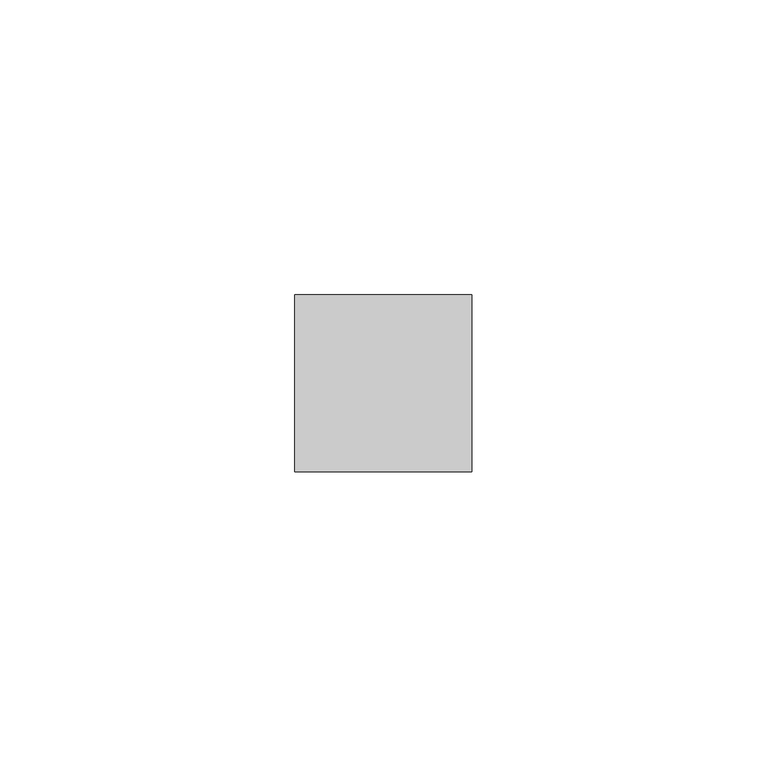
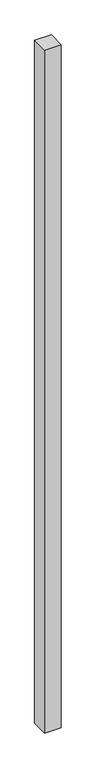
"""IFC4 building model written with IfcOpenShell, lengths in millimetres: member geometry."""

from ifc_helpers import new_model, si_unit, frame, origin, place, context, project, spatial, polyline, outline, extrude, source, transform, mapped, element, save


def member_b839da27(model_context):
    return source(origin(), model_context, "Body", "SweptSolid", [
        extrude(outline(polyline([(15.0, 15.0), (15.0, -15.0), (-15.0, -15.0), (-15.0, 15.0), (15.0, 15.0)])), frame((0.0, 0.0, -1294.2391304), z_axis=(0.0, 0.0, 1.0), x_axis=(1.0, 0.0, 0.0)), (0.0, 0.0, 1.0), 1294.2391304),
    ])


if __name__ == "__main__":
    model = new_model("IFC4")
    model_context = context("Model", 3, world=origin())
    ifc_project = project(units=[si_unit("LENGTHUNIT", "METRE", prefix="MILLI")], contexts=[model_context])
    site = spatial("IfcSite", under=ifc_project)
    building = spatial("IfcBuilding", under=site)
    placement = place(None, origin())
    member_shape = member_b839da27(model_context)
    element("IfcMember", 1, at=placement, inside=building, context=model_context, shape_type="MappedRepresentation", body=[
        mapped(member_shape, transform((0.0, 0.0, 0.0), x_axis=(1.0, 0.0, 0.0), y_axis=(0.0, 1.0, 0.0), z_axis=(0.0, 0.0, 1.0))),
    ])
    save(model, "model.ifc")
